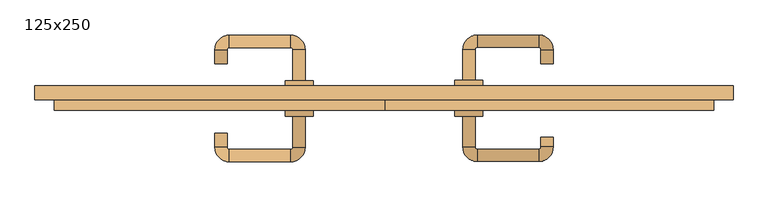
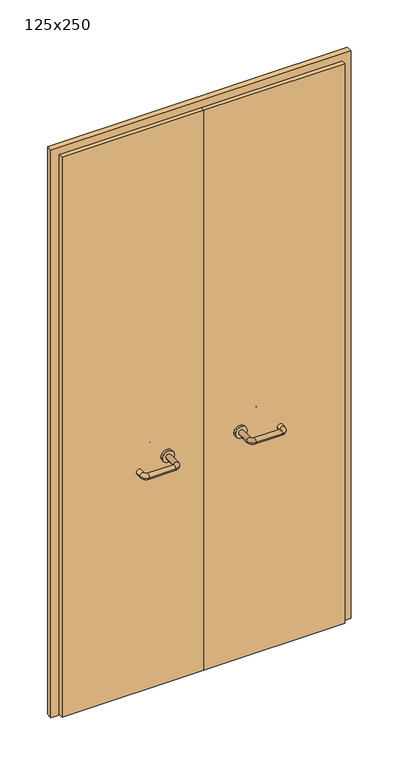
"""IFC4 building model written with IfcOpenShell, lengths in millimetres: door geometry, 125x250."""

import ifcopenshell
import ifcopenshell.guid

model = None  # the IFC model being written
_history = None  # IfcOwnerHistory: only IFC2X3 demands one
_inside = {}  # id of a spatial element -> (the spatial element, [elements in it])
_under = {}  # id of a project, library or spatial element -> (it, [spatial elements below it])
_declared = {}  # id of a project -> (the project, [libraries it declares])
_typed = {}  # id of a type object -> (the type object, [elements of that type])
_made_of = {}  # id of a material, layer set ... -> (it, [elements and type objects made of it])


def new_model(schema):
    """Start an empty IFC model of exactly this schema.

    Asked for "IFC4X3", IfcOpenShell would pick the latest addendum, in which some entities
    have other attributes; the version numbers below select the first issue.
    IFC2X3 requires an IfcOwnerHistory on every rooted entity: one is made here for all.
    """
    global model, _history
    if schema == "IFC4X3":
        model = ifcopenshell.file(schema_version=(4, 3, 0, 0))
    else:
        model = ifcopenshell.file(schema=schema)
    _inside.clear()
    _under.clear()
    _declared.clear()
    _typed.clear()
    _made_of.clear()
    _history = None
    if model.schema == "IFC2X3":
        org = make("IfcOrganization", Name="unknown")
        user = make(
            "IfcPersonAndOrganization",
            ThePerson=make("IfcPerson", FamilyName="unknown"),
            TheOrganization=org,
        )
        app = make(
            "IfcApplication",
            ApplicationDeveloper=org,
            Version="unknown",
            ApplicationFullName="unknown",
            ApplicationIdentifier="unknown",
        )
        _history = make(
            "IfcOwnerHistory",
            OwningUser=user,
            OwningApplication=app,
            ChangeAction="ADDED",
            CreationDate=0,
        )
    return model


def make(cls, **values):
    """One entity of the class cls with the attributes given. An attribute that is None is left unset."""
    return model.create_entity(
        cls, **{name: value for name, value in values.items() if value is not None}
    )


def rooted(cls, **values):
    """An entity with a GlobalId (a new one), such as an element, a storey or a relation."""
    return make(cls, GlobalId=ifcopenshell.guid.new(), OwnerHistory=_history, **values)


def si_unit(unit_type, name, prefix=None):
    """IfcSIUnit, for example si_unit("LENGTHUNIT", "METRE", prefix="MILLI")."""
    return make("IfcSIUnit", UnitType=unit_type, Prefix=prefix, Name=name)


def assignment(units):
    """IfcUnitAssignment: the units of a project."""
    return None if units is None else make("IfcUnitAssignment", Units=units)


def point(xyz):
    """IfcCartesianPoint."""
    return None if xyz is None else make("IfcCartesianPoint", Coordinates=xyz)


def direction(xyz):
    """IfcDirection."""
    return None if xyz is None else make("IfcDirection", DirectionRatios=xyz)


def frame(location, z_axis=None, x_axis=None):
    """IfcAxis2Placement3D, a coordinate frame: its origin and axes. An axis left out is left unset."""
    return make(
        "IfcAxis2Placement3D",
        Location=point(location),
        Axis=direction(z_axis),
        RefDirection=direction(x_axis),
    )


def frame_2d(location, x_axis=None):
    """IfcAxis2Placement2D, a coordinate frame in the plane: its origin and x axis."""
    return make(
        "IfcAxis2Placement2D", Location=point(location), RefDirection=direction(x_axis)
    )


def origin():
    """The frame at (0, 0, 0) with its axes left unset."""
    return frame((0.0, 0.0, 0.0))


def place(relative_to, where):
    """IfcLocalPlacement: puts the frame where relative to a parent placement (None: the world)."""
    return make(
        "IfcLocalPlacement", PlacementRelTo=relative_to, RelativePlacement=where
    )


def context(
    kind, dimensions, precision=None, world=None, true_north=None, identifier=None
):
    """IfcGeometricRepresentationContext, for example the 3D "Model" context."""
    return make(
        "IfcGeometricRepresentationContext",
        ContextIdentifier=identifier,
        ContextType=kind,
        CoordinateSpaceDimension=dimensions,
        Precision=precision,
        WorldCoordinateSystem=world,
        TrueNorth=true_north,
    )


def project(units=None, contexts=None):
    """IfcProject with its units and contexts."""
    return rooted(
        "IfcProject",
        Name="project",
        RepresentationContexts=contexts,
        UnitsInContext=assignment(units),
    )


def spatial(cls, under=None, at=None, **own):
    """A site, building, storey or space (cls), placed at a placement, below another one or the project."""
    s = rooted(cls, ObjectPlacement=at, **own)
    if under is not None:
        _under.setdefault(under.id(), (under, []))[1].append(s)
    return s


def polyline(points):
    """IfcPolyline through the points."""
    return make("IfcPolyline", Points=[point(p) for p in points])


def circle_curve(where, radius):
    """IfcCircle in the frame where."""
    return make("IfcCircle", Position=where, Radius=radius)


def ellipse_curve(where, semi_axis1, semi_axis2):
    """IfcEllipse in the frame where."""
    return make(
        "IfcEllipse", Position=where, SemiAxis1=semi_axis1, SemiAxis2=semi_axis2
    )


def trimmed(basis, trim1, trim2, sense, master):
    """IfcTrimmedCurve: the piece of a basis curve between two trims."""
    return make(
        "IfcTrimmedCurve",
        BasisCurve=basis,
        Trim1=trim1,
        Trim2=trim2,
        SenseAgreement=sense,
        MasterRepresentation=master,
    )


def segment(curve, same_sense, transition):
    """IfcCompositeCurveSegment."""
    return make(
        "IfcCompositeCurveSegment",
        Transition=transition,
        SameSense=same_sense,
        ParentCurve=curve,
    )


def composite_curve(segments, self_intersect=None):
    """IfcCompositeCurve: segments joined end to end."""
    return make("IfcCompositeCurve", Segments=segments, SelfIntersect=self_intersect)


def outline(outer, holes=None, kind="AREA"):
    """IfcArbitraryClosedProfileDef: a profile drawn as a closed curve; with holes, ...WithVoids."""
    if holes is None:
        return make("IfcArbitraryClosedProfileDef", ProfileType=kind, OuterCurve=outer)
    return make(
        "IfcArbitraryProfileDefWithVoids",
        ProfileType=kind,
        OuterCurve=outer,
        InnerCurves=holes,
    )


def extrude(swept, where, along, depth):
    """IfcExtrudedAreaSolid: the profile swept, set in the frame where, extruded along a direction by depth."""
    return make(
        "IfcExtrudedAreaSolid",
        SweptArea=swept,
        Position=where,
        ExtrudedDirection=direction(along),
        Depth=depth,
    )


def shape(context_of_items, identifier, shape_type, items):
    """IfcShapeRepresentation: the items that make up one representation, for example the "Body"."""
    return make(
        "IfcShapeRepresentation",
        ContextOfItems=context_of_items,
        RepresentationIdentifier=identifier,
        RepresentationType=shape_type,
        Items=items,
    )


def source(mapping_origin, context_of_items, identifier, shape_type, items):
    """IfcRepresentationMap: a shape defined once, which mapped items show again and again."""
    return make(
        "IfcRepresentationMap",
        MappingOrigin=mapping_origin,
        MappedRepresentation=shape(context_of_items, identifier, shape_type, items),
    )


def transform(
    local_origin,
    x_axis=None,
    y_axis=None,
    z_axis=None,
    scale=None,
    scale2=None,
    scale3=None,
    uniform=True,
):
    """IfcCartesianTransformationOperator3D, or its non-uniform kind. x_axis, y_axis, z_axis: its Axis1, 2, 3."""
    if uniform:
        return make(
            "IfcCartesianTransformationOperator3D",
            Axis1=direction(x_axis),
            Axis2=direction(y_axis),
            LocalOrigin=point(local_origin),
            Scale=scale,
            Axis3=direction(z_axis),
        )
    return make(
        "IfcCartesianTransformationOperator3DnonUniform",
        Axis1=direction(x_axis),
        Axis2=direction(y_axis),
        LocalOrigin=point(local_origin),
        Scale=scale,
        Axis3=direction(z_axis),
        Scale2=scale2,
        Scale3=scale3,
    )


def mapped(mapping_source, mapping_target):
    """IfcMappedItem: shows the shape of a source again, moved by a transform."""
    return make(
        "IfcMappedItem", MappingSource=mapping_source, MappingTarget=mapping_target
    )


def made_of(thing, what):
    """Note that an element or type object is made of a material, layer set ...; save() writes the relation."""
    if what is not None:
        _made_of.setdefault(what.id(), (what, []))[1].append(thing)
    return thing


def element(
    cls,
    number,
    at=None,
    inside=None,
    cuts=None,
    type_object=None,
    material=None,
    context=None,
    identifier="Body",
    shape_type=None,
    held_by="IfcProductDefinitionShape",
    body=None,
    shapes=None,
    **own,
):
    """One element of the class cls, such as IfcWall. Its Tag is "e" and its number.

    at: its placement. inside: the storey or other place that contains it. cuts: it is an
    opening in that element (IfcRelVoidsElement). A single representation is given by context,
    identifier, shape_type and body (its items); several are given by shapes. held_by: the class
    of the entity that holds the representations. save() writes the other relations.
    """
    e = rooted(cls, Tag="e%d" % number, ObjectPlacement=at, **own)
    if body is not None:
        shapes = [shape(context, identifier, shape_type, body)]
    if shapes is not None:
        e.Representation = make(held_by, Representations=shapes)
    if inside is not None:
        _inside.setdefault(inside.id(), (inside, []))[1].append(e)
    if cuts is not None:
        rooted(
            "IfcRelVoidsElement", RelatingBuildingElement=cuts, RelatedOpeningElement=e
        )
    if type_object is not None:
        _typed.setdefault(type_object.id(), (type_object, []))[1].append(e)
    return made_of(e, material)


def aggregate(whole, parts):
    """IfcRelAggregates: a whole, such as a stair, and the parts it consists of."""
    return rooted("IfcRelAggregates", RelatingObject=whole, RelatedObjects=parts)


def save(model, path):
    """Write the relations noted so far, then the file.

    IfcRelAggregates (storeys below a building ...), IfcRelContainedInSpatialStructure (elements
    in a storey), IfcRelDefinesByType, IfcRelAssociatesMaterial and IfcRelDeclares: one each for
    every whole, place, type object, material and project.
    """
    for whole, parts in _under.values():
        aggregate(whole, parts)
    for where, things in _inside.values():
        rooted(
            "IfcRelContainedInSpatialStructure",
            RelatedElements=things,
            RelatingStructure=where,
        )
    for kind, things in _typed.values():
        rooted("IfcRelDefinesByType", RelatedObjects=things, RelatingType=kind)
    for what, things in _made_of.values():
        rooted("IfcRelAssociatesMaterial", RelatedObjects=things, RelatingMaterial=what)
    for by, libraries in _declared.values():
        rooted("IfcRelDeclares", RelatingContext=by, RelatedDefinitions=libraries)
    model.write(path)


def plane_surface(at):
    """IfcPlane: the flat surface through the origin of the frame at, square to its z axis."""
    return make("IfcPlane", Position=at)


def cylinder_surface(at, radius):
    """IfcCylindricalSurface: all points at the distance radius from the z axis of the frame at."""
    return make("IfcCylindricalSurface", Position=at, Radius=radius)


def revolved_surface(curve, axis_point, axis_direction):
    """IfcSurfaceOfRevolution: the curve turned about the line through axis_point along axis_direction."""
    return make(
        "IfcSurfaceOfRevolution",
        SweptCurve=make("IfcArbitraryOpenProfileDef", ProfileType="CURVE", Curve=curve),
        AxisPosition=make("IfcAxis1Placement", Location=point(axis_point), Axis=direction(axis_direction)),
    )


def advanced_brep(points, edges, surfaces, faces):
    """IfcAdvancedBrep: a solid bounded by faces that lie on surfaces and meet in shared edges.

    An edge is (start, end): straight between two places in points (the first is 0);
    or (start, end, curve); or (start, end, curve, False) where it runs against its curve.
    A face is (place in surfaces, loops), or (place, loops, False) where it looks against
    its surface's normal. A loop lists edges by number (the first is 1), with a minus sign
    where the edge is run from its end to its start. The first loop is the outer one.
    """
    corners = [point(p) for p in points]
    vertices = [make("IfcVertexPoint", VertexGeometry=c) for c in corners]
    made = []
    for start, end, *more in edges:
        made.append(
            make(
                "IfcEdgeCurve",
                EdgeStart=vertices[start],
                EdgeEnd=vertices[end],
                EdgeGeometry=more[0] if more else make("IfcPolyline", Points=[corners[start], corners[end]]),
                SameSense=more[1] if len(more) > 1 else True,
            )
        )
    hull = []
    for where, loops, *sense in faces:
        bounds = []
        for j, loop in enumerate(loops):
            ring = [make("IfcOrientedEdge", EdgeElement=made[abs(k) - 1], Orientation=k > 0) for k in loop]
            bounds.append(
                make(
                    "IfcFaceOuterBound" if j == 0 else "IfcFaceBound",
                    Bound=make("IfcEdgeLoop", EdgeList=ring),
                    Orientation=True,
                )
            )
        hull.append(make("IfcAdvancedFace", Bounds=bounds, FaceSurface=surfaces[where], SameSense=sense[0] if sense else True))
    return make("IfcAdvancedBrep", Outer=make("IfcClosedShell", CfsFaces=hull))


def door_125x250_270acffb(model_context):
    return source(origin(), model_context, "Body", "SolidModel", [
        extrude(outline(polyline([(2500.0, -625.0), (0.0, -625.0), (0.0, -593.0), (2468.0, -593.0), (2468.0, 593.0), (0.0, 593.0), (0.0, 625.0), (2500.0, 625.0), (2500.0, -625.0)])), frame((0.0, 0.0, 0.0), z_axis=(0.0, 1.0, 0.0), x_axis=(0.0, 0.0, 1.0)), (0.0, 0.0, 1.0), 25.0),
        advanced_brep(
        [(140.99898, -29.0, 1003.0), (162.99898, -29.0, 1003.0), (140.99898, -84.3525369, 1003.0), (162.99898, -84.3525369, 1003.0), (166.99898, -88.3525369, 1003.0), (166.99898, -110.3525369, 1003.0), (276.99898, -110.3525369, 1003.0), (276.99898, -88.3525369, 1003.0), (280.99898, -84.3525369, 1003.0), (302.99898, -84.3525369, 1003.0), (302.99898, -67.0, 1003.0), (280.99898, -67.0, 1003.0)],
        [
            (0, 1, circle_curve(frame((151.99898, -29.0, 1003.0), z_axis=(0.0, 1.0, 0.0), x_axis=(1.0, 0.0, 0.0)), 11.0)),
            (1, 0, circle_curve(frame((151.99898, -29.0, 1003.0), z_axis=(0.0, 1.0, 0.0), x_axis=(1.0, 0.0, 0.0)), 11.0)),
            (0, 2),
            (2, 3, circle_curve(frame((151.99898, -84.3525369, 1003.0), z_axis=(0.0, 1.0, 0.0), x_axis=(1.0, 0.0, 0.0)), 11.0)),
            (3, 1),
            (3, 2, circle_curve(frame((151.99898, -84.3525369, 1003.0), z_axis=(0.0, 1.0, 0.0), x_axis=(1.0, 0.0, 0.0)), 11.0)),
            (4, 3, circle_curve(frame((166.99898, -84.3525369, 1003.0), z_axis=(0.0, 0.0, -1.0), x_axis=(-1.0, 0.0, 0.0)), 4.0)),
            (2, 5, circle_curve(frame((166.99898, -84.3525369, 1003.0), z_axis=(0.0, 0.0, 1.0), x_axis=(-1.0, 0.0, 0.0)), 26.0)),
            (5, 4, circle_curve(frame((166.99898, -99.3525369, 1003.0), z_axis=(-1.0, 0.0, 0.0), x_axis=(0.0, 1.0, 0.0)), 11.0)),
            (4, 5, circle_curve(frame((166.99898, -99.3525369, 1003.0), z_axis=(-1.0, 0.0, 0.0), x_axis=(0.0, 1.0, 0.0)), 11.0)),
            (5, 6),
            (6, 7, circle_curve(frame((276.99898, -99.3525369, 1003.0), z_axis=(-1.0, 0.0, 0.0), x_axis=(0.0, 1.0, 0.0)), 11.0)),
            (7, 4),
            (7, 6, circle_curve(frame((276.99898, -99.3525369, 1003.0), z_axis=(-1.0, 0.0, 0.0), x_axis=(0.0, 1.0, 0.0)), 11.0)),
            (8, 7, circle_curve(frame((276.99898, -84.3525369, 1003.0), z_axis=(0.0, 0.0, -1.0), x_axis=(0.0, -1.0, 0.0)), 4.0)),
            (6, 9, circle_curve(frame((276.99898, -84.3525369, 1003.0), z_axis=(0.0, 0.0, 1.0), x_axis=(0.0, -1.0, 0.0)), 26.0)),
            (9, 8, circle_curve(frame((291.99898, -84.3525369, 1003.0), z_axis=(0.0, -1.0, 0.0), x_axis=(-1.0, 0.0, 0.0)), 11.0)),
            (8, 9, circle_curve(frame((291.99898, -84.3525369, 1003.0), z_axis=(0.0, -1.0, 0.0), x_axis=(-1.0, 0.0, 0.0)), 11.0)),
            (10, 11, circle_curve(frame((291.99898, -67.0, 1003.0), z_axis=(0.0, 1.0, 0.0), x_axis=(-1.0, 0.0, 0.0)), 11.0)),
            (11, 10, circle_curve(frame((291.99898, -67.0, 1003.0), z_axis=(0.0, 1.0, 0.0), x_axis=(-1.0, 0.0, 0.0)), 11.0)),
            (9, 10),
            (11, 8),
        ],
        [
            plane_surface(frame((140.99898, -29.0, 1003.0), z_axis=(0.0, 1.0, 0.0), x_axis=(0.0, 0.0, -1.0))),
            cylinder_surface(frame((151.99898, -29.0, 1003.0), z_axis=(0.0, 1.0, 0.0), x_axis=(1.0, 0.0, 0.0)), 11.0),
            revolved_surface(trimmed(ellipse_curve(frame((151.99898, -84.3525369, 1003.0), z_axis=(0.0, 1.0, 0.0), x_axis=(1.0, 0.0, 0.0)), 11.0, 11.0), [point((140.99898, -84.3525369, 1003.0))], [point((162.99898, -84.3525369, 1003.0))], True, "CARTESIAN"), (166.99898, -84.3525369, 1003.0), (0.0, 0.0, 1.0)),
            revolved_surface(trimmed(ellipse_curve(frame((151.99898, -84.3525369, 1003.0), z_axis=(0.0, 1.0, 0.0), x_axis=(1.0, 0.0, 0.0)), 11.0, 11.0), [point((162.99898, -84.3525369, 1003.0))], [point((140.99898, -84.3525369, 1003.0))], True, "CARTESIAN"), (166.99898, -84.3525369, 1003.0), (0.0, 0.0, 1.0)),
            cylinder_surface(frame((166.99898, -99.3525369, 1003.0), z_axis=(-1.0, 0.0, 0.0), x_axis=(0.0, 1.0, 0.0)), 11.0),
            revolved_surface(trimmed(ellipse_curve(frame((276.99898, -99.3525369, 1003.0), z_axis=(-1.0, 0.0, 0.0), x_axis=(0.0, 1.0, 0.0)), 11.0, 11.0), [point((276.99898, -110.3525369, 1003.0))], [point((276.99898, -88.3525369, 1003.0))], True, "CARTESIAN"), (276.99898, -84.3525369, 1003.0), (0.0, 0.0, 1.0)),
            revolved_surface(trimmed(ellipse_curve(frame((276.99898, -99.3525369, 1003.0), z_axis=(-1.0, 0.0, 0.0), x_axis=(0.0, 1.0, 0.0)), 11.0, 11.0), [point((276.99898, -88.3525369, 1003.0))], [point((276.99898, -110.3525369, 1003.0))], True, "CARTESIAN"), (276.99898, -84.3525369, 1003.0), (0.0, 0.0, 1.0)),
            plane_surface(frame((280.99898, -67.0, 1003.0), z_axis=(0.0, 1.0, 0.0), x_axis=(0.0, 0.0, 1.0))),
            cylinder_surface(frame((291.99898, -84.3525369, 1003.0), z_axis=(0.0, -1.0, 0.0), x_axis=(-1.0, 0.0, 0.0)), 11.0),
        ],
        [
            (0, [[1, 2]]),
            (1, [[-1, 3, 4, 5]]),
            (1, [[-2, -5, 6, -3]]),
            (2, [[7, -4, 8, 9]]),
            (3, [[-8, -6, -7, 10]]),
            (4, [[-9, 11, 12, 13]]),
            (4, [[-10, -13, 14, -11]]),
            (5, [[15, -12, 16, 17]]),
            (6, [[-16, -14, -15, 18]]),
            (7, [[19, 20]]),
            (8, [[-17, 21, -20, 22]]),
            (8, [[-18, -22, -19, -21]]),
        ],
    ),
        extrude(outline(composite_curve([segment(trimmed(circle_curve(frame_2d((1003.0, 151.99898)), 25.0), [point((1003.0, 126.99898))], [point((1003.0, 176.99898))], False, "CARTESIAN"), True, "CONTINUOUS"), segment(trimmed(circle_curve(frame_2d((1003.0, 151.99898)), 25.0), [point((1003.0, 176.99898))], [point((1003.0, 126.99898))], False, "CARTESIAN"), True, "CONTINUOUS")], self_intersect=False)), frame((0.0, -29.0, 0.0), z_axis=(0.0, 1.0, 0.0), x_axis=(0.0, 0.0, 1.0)), (0.0, 0.0, 1.0), 10.0),
        advanced_brep(
        [(162.99898, 35.0, 1003.0), (140.99898, 35.0, 1003.0), (162.99898, 90.0, 1003.0), (140.99898, 90.0, 1003.0), (166.99898, 116.0, 1003.0), (166.99898, 94.0, 1003.0), (276.99898, 94.0, 1003.0), (276.99898, 116.0, 1003.0), (302.99898, 90.0, 1003.0), (280.99898, 90.0, 1003.0), (280.99898, 65.0, 1003.0), (302.99898, 65.0, 1003.0)],
        [
            (0, 1, circle_curve(frame((151.99898, 35.0, 1003.0), z_axis=(0.0, -1.0, 0.0), x_axis=(-1.0, 0.0, 0.0)), 11.0)),
            (1, 0, circle_curve(frame((151.99898, 35.0, 1003.0), z_axis=(0.0, -1.0, 0.0), x_axis=(-1.0, 0.0, 0.0)), 11.0)),
            (0, 2),
            (2, 3, circle_curve(frame((151.99898, 90.0, 1003.0), z_axis=(0.0, -1.0, 0.0), x_axis=(-1.0, 0.0, 0.0)), 11.0)),
            (3, 1),
            (3, 2, circle_curve(frame((151.99898, 90.0, 1003.0), z_axis=(0.0, -1.0, 0.0), x_axis=(-1.0, 0.0, 0.0)), 11.0)),
            (4, 3, circle_curve(frame((166.99898, 90.0, 1003.0), z_axis=(0.0, 0.0, 1.0), x_axis=(-1.0, 0.0, 0.0)), 26.0)),
            (2, 5, circle_curve(frame((166.99898, 90.0, 1003.0), z_axis=(0.0, 0.0, -1.0), x_axis=(-1.0, 0.0, 0.0)), 4.0)),
            (5, 4, circle_curve(frame((166.99898, 105.0, 1003.0), z_axis=(-1.0, 0.0, 0.0), x_axis=(0.0, 1.0, 0.0)), 11.0)),
            (4, 5, circle_curve(frame((166.99898, 105.0, 1003.0), z_axis=(-1.0, 0.0, 0.0), x_axis=(0.0, 1.0, 0.0)), 11.0)),
            (5, 6),
            (6, 7, circle_curve(frame((276.99898, 105.0, 1003.0), z_axis=(-1.0, 0.0, 0.0), x_axis=(0.0, 1.0, 0.0)), 11.0)),
            (7, 4),
            (7, 6, circle_curve(frame((276.99898, 105.0, 1003.0), z_axis=(-1.0, 0.0, 0.0), x_axis=(0.0, 1.0, 0.0)), 11.0)),
            (8, 7, circle_curve(frame((276.99898, 90.0, 1003.0), z_axis=(0.0, 0.0, 1.0), x_axis=(0.0, 1.0, 0.0)), 26.0)),
            (6, 9, circle_curve(frame((276.99898, 90.0, 1003.0), z_axis=(0.0, 0.0, -1.0), x_axis=(0.0, 1.0, 0.0)), 4.0)),
            (9, 8, circle_curve(frame((291.99898, 90.0, 1003.0), z_axis=(0.0, 1.0, 0.0), x_axis=(1.0, 0.0, 0.0)), 11.0)),
            (8, 9, circle_curve(frame((291.99898, 90.0, 1003.0), z_axis=(0.0, 1.0, 0.0), x_axis=(1.0, 0.0, 0.0)), 11.0)),
            (10, 11, circle_curve(frame((291.99898, 65.0, 1003.0), z_axis=(0.0, -1.0, 0.0), x_axis=(1.0, 0.0, 0.0)), 11.0)),
            (11, 10, circle_curve(frame((291.99898, 65.0, 1003.0), z_axis=(0.0, -1.0, 0.0), x_axis=(1.0, 0.0, 0.0)), 11.0)),
            (9, 10),
            (11, 8),
        ],
        [
            plane_surface(frame((140.99898, 35.0, 1003.0), z_axis=(0.0, -1.0, 0.0), x_axis=(0.0, 0.0, 1.0))),
            cylinder_surface(frame((151.99898, 35.0, 1003.0), z_axis=(0.0, -1.0, 0.0), x_axis=(-1.0, 0.0, 0.0)), 11.0),
            revolved_surface(trimmed(ellipse_curve(frame((151.99898, 90.0, 1003.0), z_axis=(0.0, -1.0, 0.0), x_axis=(-1.0, 0.0, 0.0)), 11.0, 11.0), [point((162.99898, 90.0, 1003.0))], [point((140.99898, 90.0, 1003.0))], True, "CARTESIAN"), (166.99898, 90.0, 1003.0), (0.0, 0.0, -1.0)),
            revolved_surface(trimmed(ellipse_curve(frame((151.99898, 90.0, 1003.0), z_axis=(0.0, -1.0, 0.0), x_axis=(-1.0, 0.0, 0.0)), 11.0, 11.0), [point((140.99898, 90.0, 1003.0))], [point((162.99898, 90.0, 1003.0))], True, "CARTESIAN"), (166.99898, 90.0, 1003.0), (0.0, 0.0, -1.0)),
            cylinder_surface(frame((166.99898, 105.0, 1003.0), z_axis=(-1.0, 0.0, 0.0), x_axis=(0.0, 1.0, 0.0)), 11.0),
            revolved_surface(trimmed(ellipse_curve(frame((276.99898, 105.0, 1003.0), z_axis=(-1.0, 0.0, 0.0), x_axis=(0.0, 1.0, 0.0)), 11.0, 11.0), [point((276.99898, 94.0, 1003.0))], [point((276.99898, 116.0, 1003.0))], True, "CARTESIAN"), (276.99898, 90.0, 1003.0), (0.0, 0.0, -1.0)),
            revolved_surface(trimmed(ellipse_curve(frame((276.99898, 105.0, 1003.0), z_axis=(-1.0, 0.0, 0.0), x_axis=(0.0, 1.0, 0.0)), 11.0, 11.0), [point((276.99898, 116.0, 1003.0))], [point((276.99898, 94.0, 1003.0))], True, "CARTESIAN"), (276.99898, 90.0, 1003.0), (0.0, 0.0, -1.0)),
            plane_surface(frame((280.99898, 65.0, 1003.0), z_axis=(0.0, -1.0, 0.0), x_axis=(0.0, 0.0, -1.0))),
            cylinder_surface(frame((291.99898, 90.0, 1003.0), z_axis=(0.0, 1.0, 0.0), x_axis=(1.0, 0.0, 0.0)), 11.0),
        ],
        [
            (0, [[1, 2]]),
            (1, [[-1, 3, 4, 5]]),
            (1, [[-2, -5, 6, -3]]),
            (2, [[7, -4, 8, 9]]),
            (3, [[-8, -6, -7, 10]]),
            (4, [[-9, 11, 12, 13]]),
            (4, [[-10, -13, 14, -11]]),
            (5, [[15, -12, 16, 17]]),
            (6, [[-16, -14, -15, 18]]),
            (7, [[19, 20]]),
            (8, [[-17, 21, -20, 22]]),
            (8, [[-18, -22, -19, -21]]),
        ],
    ),
        extrude(outline(composite_curve([segment(trimmed(circle_curve(frame_2d((1003.0, 151.99898)), 25.0), [point((1003.0, 176.99898))], [point((1003.0, 126.99898))], False, "CARTESIAN"), True, "CONTINUOUS"), segment(trimmed(circle_curve(frame_2d((1003.0, 151.99898)), 25.0), [point((1003.0, 126.99898))], [point((1003.0, 176.99898))], False, "CARTESIAN"), True, "CONTINUOUS")], self_intersect=False)), frame((0.0, 25.0, 0.0), z_axis=(0.0, 1.0, 0.0), x_axis=(0.0, 0.0, 1.0)), (0.0, 0.0, 1.0), 10.0),
        advanced_brep(
        [(-162.99898, -29.3113879, 1003.0), (-140.99898, -29.3113879, 1003.0), (-162.99898, -84.7220447, 1003.0), (-140.99898, -84.7220447, 1003.0), (-166.99898, -110.7220447, 1003.0), (-166.99898, -88.7220447, 1003.0), (-276.99898, -88.7220447, 1003.0), (-276.99898, -110.7220447, 1003.0), (-302.99898, -84.7220447, 1003.0), (-280.99898, -84.7220447, 1003.0), (-280.99898, -59.7220447, 1003.0), (-302.99898, -59.7220447, 1003.0)],
        [
            (0, 1, circle_curve(frame((-151.99898, -29.3113879, 1003.0), z_axis=(0.0, 1.0, 0.0), x_axis=(1.0, 0.0, 0.0)), 11.0)),
            (1, 0, circle_curve(frame((-151.99898, -29.3113879, 1003.0), z_axis=(0.0, 1.0, 0.0), x_axis=(1.0, 0.0, 0.0)), 11.0)),
            (0, 2),
            (2, 3, circle_curve(frame((-151.99898, -84.7220447, 1003.0), z_axis=(0.0, 1.0, 0.0), x_axis=(1.0, 0.0, 0.0)), 11.0)),
            (3, 1),
            (3, 2, circle_curve(frame((-151.99898, -84.7220447, 1003.0), z_axis=(0.0, 1.0, 0.0), x_axis=(1.0, 0.0, 0.0)), 11.0)),
            (4, 3, circle_curve(frame((-166.99898, -84.7220447, 1003.0), z_axis=(0.0, 0.0, 1.0), x_axis=(1.0, 0.0, 0.0)), 26.0)),
            (2, 5, circle_curve(frame((-166.99898, -84.7220447, 1003.0), z_axis=(0.0, 0.0, -1.0), x_axis=(1.0, 0.0, 0.0)), 4.0)),
            (5, 4, circle_curve(frame((-166.99898, -99.7220447, 1003.0), z_axis=(1.0, 0.0, 0.0), x_axis=(0.0, -1.0, 0.0)), 11.0)),
            (4, 5, circle_curve(frame((-166.99898, -99.7220447, 1003.0), z_axis=(1.0, 0.0, 0.0), x_axis=(0.0, -1.0, 0.0)), 11.0)),
            (5, 6),
            (6, 7, circle_curve(frame((-276.99898, -99.7220447, 1003.0), z_axis=(1.0, 0.0, 0.0), x_axis=(0.0, -1.0, 0.0)), 11.0)),
            (7, 4),
            (7, 6, circle_curve(frame((-276.99898, -99.7220447, 1003.0), z_axis=(1.0, 0.0, 0.0), x_axis=(0.0, -1.0, 0.0)), 11.0)),
            (8, 7, circle_curve(frame((-276.99898, -84.7220447, 1003.0), z_axis=(0.0, 0.0, 1.0), x_axis=(0.0, -1.0, 0.0)), 26.0)),
            (6, 9, circle_curve(frame((-276.99898, -84.7220447, 1003.0), z_axis=(0.0, 0.0, -1.0), x_axis=(0.0, -1.0, 0.0)), 4.0)),
            (9, 8, circle_curve(frame((-291.99898, -84.7220447, 1003.0), z_axis=(0.0, -1.0, 0.0), x_axis=(-1.0, 0.0, 0.0)), 11.0)),
            (8, 9, circle_curve(frame((-291.99898, -84.7220447, 1003.0), z_axis=(0.0, -1.0, 0.0), x_axis=(-1.0, 0.0, 0.0)), 11.0)),
            (10, 11, circle_curve(frame((-291.99898, -59.7220447, 1003.0), z_axis=(0.0, 1.0, 0.0), x_axis=(-1.0, 0.0, 0.0)), 11.0)),
            (11, 10, circle_curve(frame((-291.99898, -59.7220447, 1003.0), z_axis=(0.0, 1.0, 0.0), x_axis=(-1.0, 0.0, 0.0)), 11.0)),
            (9, 10),
            (11, 8),
        ],
        [
            plane_surface(frame((-162.99898, -29.3113879, 1003.0), z_axis=(0.0, 1.0, 0.0), x_axis=(0.0, 0.0, -1.0))),
            cylinder_surface(frame((-151.99898, -29.3113879, 1003.0), z_axis=(0.0, 1.0, 0.0), x_axis=(1.0, 0.0, 0.0)), 11.0),
            revolved_surface(trimmed(ellipse_curve(frame((-151.99898, -84.7220447, 1003.0), z_axis=(0.0, 1.0, 0.0), x_axis=(1.0, 0.0, 0.0)), 11.0, 11.0), [point((-162.99898, -84.7220447, 1003.0))], [point((-140.99898, -84.7220447, 1003.0))], True, "CARTESIAN"), (-166.99898, -84.7220447, 1003.0), (0.0, 0.0, -1.0)),
            revolved_surface(trimmed(ellipse_curve(frame((-151.99898, -84.7220447, 1003.0), z_axis=(0.0, 1.0, 0.0), x_axis=(1.0, 0.0, 0.0)), 11.0, 11.0), [point((-140.99898, -84.7220447, 1003.0))], [point((-162.99898, -84.7220447, 1003.0))], True, "CARTESIAN"), (-166.99898, -84.7220447, 1003.0), (0.0, 0.0, -1.0)),
            cylinder_surface(frame((-166.99898, -99.7220447, 1003.0), z_axis=(1.0, 0.0, 0.0), x_axis=(0.0, -1.0, 0.0)), 11.0),
            revolved_surface(trimmed(ellipse_curve(frame((-276.99898, -99.7220447, 1003.0), z_axis=(1.0, 0.0, 0.0), x_axis=(0.0, -1.0, 0.0)), 11.0, 11.0), [point((-276.99898, -88.7220447, 1003.0))], [point((-276.99898, -110.7220447, 1003.0))], True, "CARTESIAN"), (-276.99898, -84.7220447, 1003.0), (0.0, 0.0, -1.0)),
            revolved_surface(trimmed(ellipse_curve(frame((-276.99898, -99.7220447, 1003.0), z_axis=(1.0, 0.0, 0.0), x_axis=(0.0, -1.0, 0.0)), 11.0, 11.0), [point((-276.99898, -110.7220447, 1003.0))], [point((-276.99898, -88.7220447, 1003.0))], True, "CARTESIAN"), (-276.99898, -84.7220447, 1003.0), (0.0, 0.0, -1.0)),
            plane_surface(frame((-302.99898, -59.7220447, 1003.0), z_axis=(0.0, 1.0, 0.0), x_axis=(0.0, 0.0, 1.0))),
            cylinder_surface(frame((-291.99898, -84.7220447, 1003.0), z_axis=(0.0, -1.0, 0.0), x_axis=(-1.0, 0.0, 0.0)), 11.0),
        ],
        [
            (0, [[1, 2]]),
            (1, [[-1, 3, 4, 5]]),
            (1, [[-2, -5, 6, -3]]),
            (2, [[7, -4, 8, 9]]),
            (3, [[-8, -6, -7, 10]]),
            (4, [[-9, 11, 12, 13]]),
            (4, [[-10, -13, 14, -11]]),
            (5, [[15, -12, 16, 17]]),
            (6, [[-16, -14, -15, 18]]),
            (7, [[19, 20]]),
            (8, [[-17, 21, -20, 22]]),
            (8, [[-18, -22, -19, -21]]),
        ],
    ),
        extrude(outline(composite_curve([segment(trimmed(circle_curve(frame_2d((1003.0, -151.99898)), 25.0), [point((1003.0, -176.99898))], [point((1003.0, -126.99898))], False, "CARTESIAN"), True, "CONTINUOUS"), segment(trimmed(circle_curve(frame_2d((1003.0, -151.99898)), 25.0), [point((1003.0, -126.99898))], [point((1003.0, -176.99898))], False, "CARTESIAN"), True, "CONTINUOUS")], self_intersect=False)), frame((0.0, -29.3113879, 0.0), z_axis=(0.0, 1.0, 0.0), x_axis=(0.0, 0.0, 1.0)), (0.0, 0.0, 1.0), 10.3113879),
        advanced_brep(
        [(-140.99898, 34.5143417, 1003.0), (-162.99898, 34.5143417, 1003.0), (-140.99898, 89.6104656, 1003.0), (-162.99898, 89.6104656, 1003.0), (-166.99898, 93.6104656, 1003.0), (-166.99898, 115.6104656, 1003.0), (-276.99898, 115.6104656, 1003.0), (-276.99898, 93.6104656, 1003.0), (-280.99898, 89.6104656, 1003.0), (-302.99898, 89.6104656, 1003.0), (-302.99898, 64.6104656, 1003.0), (-280.99898, 64.6104656, 1003.0)],
        [
            (0, 1, circle_curve(frame((-151.99898, 34.5143417, 1003.0), z_axis=(0.0, -1.0, 0.0), x_axis=(-1.0, 0.0, 0.0)), 11.0)),
            (1, 0, circle_curve(frame((-151.99898, 34.5143417, 1003.0), z_axis=(0.0, -1.0, 0.0), x_axis=(-1.0, 0.0, 0.0)), 11.0)),
            (0, 2),
            (2, 3, circle_curve(frame((-151.99898, 89.6104656, 1003.0), z_axis=(0.0, -1.0, 0.0), x_axis=(-1.0, 0.0, 0.0)), 11.0)),
            (3, 1),
            (3, 2, circle_curve(frame((-151.99898, 89.6104656, 1003.0), z_axis=(0.0, -1.0, 0.0), x_axis=(-1.0, 0.0, 0.0)), 11.0)),
            (4, 3, circle_curve(frame((-166.99898, 89.6104656, 1003.0), z_axis=(0.0, 0.0, -1.0), x_axis=(1.0, 0.0, 0.0)), 4.0)),
            (2, 5, circle_curve(frame((-166.99898, 89.6104656, 1003.0), z_axis=(0.0, 0.0, 1.0), x_axis=(1.0, 0.0, 0.0)), 26.0)),
            (5, 4, circle_curve(frame((-166.99898, 104.6104656, 1003.0), z_axis=(1.0, 0.0, 0.0), x_axis=(0.0, -1.0, 0.0)), 11.0)),
            (4, 5, circle_curve(frame((-166.99898, 104.6104656, 1003.0), z_axis=(1.0, 0.0, 0.0), x_axis=(0.0, -1.0, 0.0)), 11.0)),
            (5, 6),
            (6, 7, circle_curve(frame((-276.99898, 104.6104656, 1003.0), z_axis=(1.0, 0.0, 0.0), x_axis=(0.0, -1.0, 0.0)), 11.0)),
            (7, 4),
            (7, 6, circle_curve(frame((-276.99898, 104.6104656, 1003.0), z_axis=(1.0, 0.0, 0.0), x_axis=(0.0, -1.0, 0.0)), 11.0)),
            (8, 7, circle_curve(frame((-276.99898, 89.6104656, 1003.0), z_axis=(0.0, 0.0, -1.0), x_axis=(0.0, 1.0, 0.0)), 4.0)),
            (6, 9, circle_curve(frame((-276.99898, 89.6104656, 1003.0), z_axis=(0.0, 0.0, 1.0), x_axis=(0.0, 1.0, 0.0)), 26.0)),
            (9, 8, circle_curve(frame((-291.99898, 89.6104656, 1003.0), z_axis=(0.0, 1.0, 0.0), x_axis=(1.0, 0.0, 0.0)), 11.0)),
            (8, 9, circle_curve(frame((-291.99898, 89.6104656, 1003.0), z_axis=(0.0, 1.0, 0.0), x_axis=(1.0, 0.0, 0.0)), 11.0)),
            (10, 11, circle_curve(frame((-291.99898, 64.6104656, 1003.0), z_axis=(0.0, -1.0, 0.0), x_axis=(1.0, 0.0, 0.0)), 11.0)),
            (11, 10, circle_curve(frame((-291.99898, 64.6104656, 1003.0), z_axis=(0.0, -1.0, 0.0), x_axis=(1.0, 0.0, 0.0)), 11.0)),
            (9, 10),
            (11, 8),
        ],
        [
            plane_surface(frame((-162.99898, 34.5143417, 1003.0), z_axis=(0.0, -1.0, 0.0), x_axis=(0.0, 0.0, 1.0))),
            cylinder_surface(frame((-151.99898, 34.5143417, 1003.0), z_axis=(0.0, -1.0, 0.0), x_axis=(-1.0, 0.0, 0.0)), 11.0),
            revolved_surface(trimmed(ellipse_curve(frame((-151.99898, 89.6104656, 1003.0), z_axis=(0.0, -1.0, 0.0), x_axis=(-1.0, 0.0, 0.0)), 11.0, 11.0), [point((-140.99898, 89.6104656, 1003.0))], [point((-162.99898, 89.6104656, 1003.0))], True, "CARTESIAN"), (-166.99898, 89.6104656, 1003.0), (0.0, 0.0, 1.0)),
            revolved_surface(trimmed(ellipse_curve(frame((-151.99898, 89.6104656, 1003.0), z_axis=(0.0, -1.0, 0.0), x_axis=(-1.0, 0.0, 0.0)), 11.0, 11.0), [point((-162.99898, 89.6104656, 1003.0))], [point((-140.99898, 89.6104656, 1003.0))], True, "CARTESIAN"), (-166.99898, 89.6104656, 1003.0), (0.0, 0.0, 1.0)),
            cylinder_surface(frame((-166.99898, 104.6104656, 1003.0), z_axis=(1.0, 0.0, 0.0), x_axis=(0.0, -1.0, 0.0)), 11.0),
            revolved_surface(trimmed(ellipse_curve(frame((-276.99898, 104.6104656, 1003.0), z_axis=(1.0, 0.0, 0.0), x_axis=(0.0, -1.0, 0.0)), 11.0, 11.0), [point((-276.99898, 115.6104656, 1003.0))], [point((-276.99898, 93.6104656, 1003.0))], True, "CARTESIAN"), (-276.99898, 89.6104656, 1003.0), (0.0, 0.0, 1.0)),
            revolved_surface(trimmed(ellipse_curve(frame((-276.99898, 104.6104656, 1003.0), z_axis=(1.0, 0.0, 0.0), x_axis=(0.0, -1.0, 0.0)), 11.0, 11.0), [point((-276.99898, 93.6104656, 1003.0))], [point((-276.99898, 115.6104656, 1003.0))], True, "CARTESIAN"), (-276.99898, 89.6104656, 1003.0), (0.0, 0.0, 1.0)),
            plane_surface(frame((-302.99898, 64.6104656, 1003.0), z_axis=(0.0, -1.0, 0.0), x_axis=(0.0, 0.0, -1.0))),
            cylinder_surface(frame((-291.99898, 89.6104656, 1003.0), z_axis=(0.0, 1.0, 0.0), x_axis=(1.0, 0.0, 0.0)), 11.0),
        ],
        [
            (0, [[1, 2]]),
            (1, [[-1, 3, 4, 5]]),
            (1, [[-2, -5, 6, -3]]),
            (2, [[7, -4, 8, 9]]),
            (3, [[-8, -6, -7, 10]]),
            (4, [[-9, 11, 12, 13]]),
            (4, [[-10, -13, 14, -11]]),
            (5, [[15, -12, 16, 17]]),
            (6, [[-16, -14, -15, 18]]),
            (7, [[19, 20]]),
            (8, [[-17, 21, -20, 22]]),
            (8, [[-18, -22, -19, -21]]),
        ],
    ),
        extrude(outline(composite_curve([segment(trimmed(circle_curve(frame_2d((1003.0, -151.99898)), 25.0), [point((1003.0, -126.99898))], [point((1003.0, -176.99898))], False, "CARTESIAN"), True, "CONTINUOUS"), segment(trimmed(circle_curve(frame_2d((1003.0, -151.99898)), 25.0), [point((1003.0, -176.99898))], [point((1003.0, -126.99898))], False, "CARTESIAN"), True, "CONTINUOUS")], self_intersect=False)), frame((0.0, 25.0, 0.0), z_axis=(0.0, 1.0, 0.0), x_axis=(0.0, 0.0, 1.0)), (0.0, 0.0, 1.0), 9.5143417),
        extrude(outline(polyline([(1.0739506, -19.0), (-590.0, -19.0), (-590.0, 25.0), (1.0739506, 25.0), (1.0739506, -19.0)])), frame((0.0, 0.0, 1.753223), z_axis=(0.0, 0.0, 1.0), x_axis=(1.0, 0.0, 0.0)), (0.0, 0.0, 1.0), 2466.246777),
        extrude(outline(polyline([(590.0, -19.0), (1.0739506, -19.0), (1.0739506, 25.0), (590.0, 25.0), (590.0, -19.0)])), frame((0.0, 0.0, 1.753223), z_axis=(0.0, 0.0, 1.0), x_axis=(1.0, 0.0, 0.0)), (0.0, 0.0, 1.0), 2466.246777),
    ])


if __name__ == "__main__":
    model = new_model("IFC4")
    model_context = context("Model", 3, world=origin())
    ifc_project = project(units=[si_unit("LENGTHUNIT", "METRE", prefix="MILLI")], contexts=[model_context])
    site = spatial("IfcSite", under=ifc_project)
    building = spatial("IfcBuilding", under=site)
    placement = place(None, origin())
    door_125x250_shape = door_125x250_270acffb(model_context)
    element("IfcDoor", 1, ObjectType="125x250", at=placement, inside=building, context=model_context, shape_type="MappedRepresentation", body=[
        mapped(door_125x250_shape, transform((0.0, 0.0, 0.0), x_axis=(1.0, 0.0, 0.0), y_axis=(0.0, 1.0, 0.0), z_axis=(0.0, 0.0, 1.0))),
    ])
    save(model, "model.ifc")
